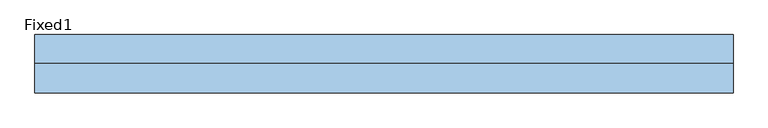
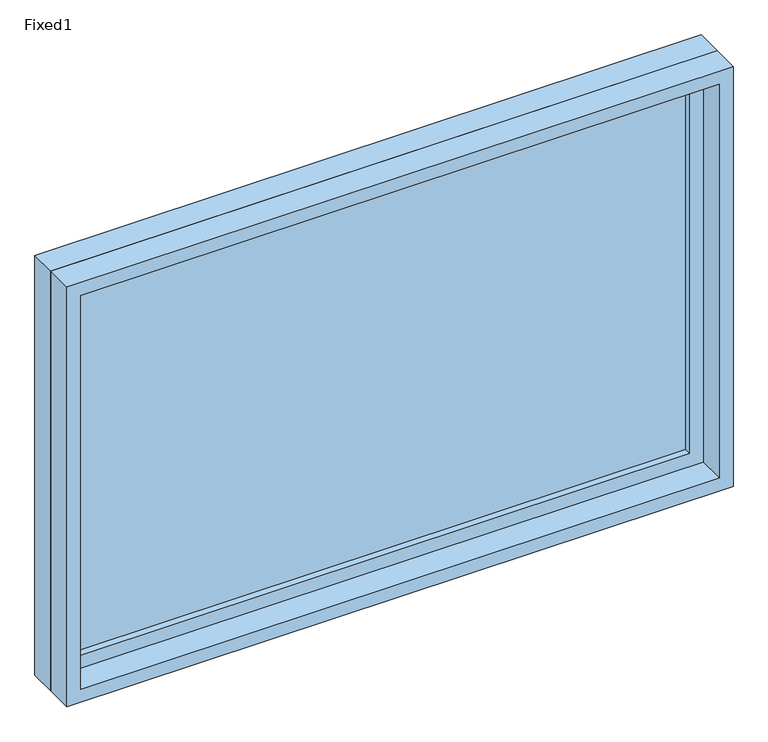
"""IFC4 building model written with IfcOpenShell, lengths in millimetres: window geometry, Fixed1."""

import ifcopenshell
import ifcopenshell.guid

model = None  # the IFC model being written
_history = None  # IfcOwnerHistory: only IFC2X3 demands one
_inside = {}  # id of a spatial element -> (the spatial element, [elements in it])
_under = {}  # id of a project, library or spatial element -> (it, [spatial elements below it])
_declared = {}  # id of a project -> (the project, [libraries it declares])
_typed = {}  # id of a type object -> (the type object, [elements of that type])
_made_of = {}  # id of a material, layer set ... -> (it, [elements and type objects made of it])


def new_model(schema):
    """Start an empty IFC model of exactly this schema.

    Asked for "IFC4X3", IfcOpenShell would pick the latest addendum, in which some entities
    have other attributes; the version numbers below select the first issue.
    IFC2X3 requires an IfcOwnerHistory on every rooted entity: one is made here for all.
    """
    global model, _history
    if schema == "IFC4X3":
        model = ifcopenshell.file(schema_version=(4, 3, 0, 0))
    else:
        model = ifcopenshell.file(schema=schema)
    _inside.clear()
    _under.clear()
    _declared.clear()
    _typed.clear()
    _made_of.clear()
    _history = None
    if model.schema == "IFC2X3":
        org = make("IfcOrganization", Name="unknown")
        user = make(
            "IfcPersonAndOrganization",
            ThePerson=make("IfcPerson", FamilyName="unknown"),
            TheOrganization=org,
        )
        app = make(
            "IfcApplication",
            ApplicationDeveloper=org,
            Version="unknown",
            ApplicationFullName="unknown",
            ApplicationIdentifier="unknown",
        )
        _history = make(
            "IfcOwnerHistory",
            OwningUser=user,
            OwningApplication=app,
            ChangeAction="ADDED",
            CreationDate=0,
        )
    return model


def make(cls, **values):
    """One entity of the class cls with the attributes given. An attribute that is None is left unset."""
    return model.create_entity(
        cls, **{name: value for name, value in values.items() if value is not None}
    )


def rooted(cls, **values):
    """An entity with a GlobalId (a new one), such as an element, a storey or a relation."""
    return make(cls, GlobalId=ifcopenshell.guid.new(), OwnerHistory=_history, **values)


def si_unit(unit_type, name, prefix=None):
    """IfcSIUnit, for example si_unit("LENGTHUNIT", "METRE", prefix="MILLI")."""
    return make("IfcSIUnit", UnitType=unit_type, Prefix=prefix, Name=name)


def assignment(units):
    """IfcUnitAssignment: the units of a project."""
    return None if units is None else make("IfcUnitAssignment", Units=units)


def point(xyz):
    """IfcCartesianPoint."""
    return None if xyz is None else make("IfcCartesianPoint", Coordinates=xyz)


def direction(xyz):
    """IfcDirection."""
    return None if xyz is None else make("IfcDirection", DirectionRatios=xyz)


def frame(location, z_axis=None, x_axis=None):
    """IfcAxis2Placement3D, a coordinate frame: its origin and axes. An axis left out is left unset."""
    return make(
        "IfcAxis2Placement3D",
        Location=point(location),
        Axis=direction(z_axis),
        RefDirection=direction(x_axis),
    )


def origin():
    """The frame at (0, 0, 0) with its axes left unset."""
    return frame((0.0, 0.0, 0.0))


def place(relative_to, where):
    """IfcLocalPlacement: puts the frame where relative to a parent placement (None: the world)."""
    return make(
        "IfcLocalPlacement", PlacementRelTo=relative_to, RelativePlacement=where
    )


def context(
    kind, dimensions, precision=None, world=None, true_north=None, identifier=None
):
    """IfcGeometricRepresentationContext, for example the 3D "Model" context."""
    return make(
        "IfcGeometricRepresentationContext",
        ContextIdentifier=identifier,
        ContextType=kind,
        CoordinateSpaceDimension=dimensions,
        Precision=precision,
        WorldCoordinateSystem=world,
        TrueNorth=true_north,
    )


def project(units=None, contexts=None):
    """IfcProject with its units and contexts."""
    return rooted(
        "IfcProject",
        Name="project",
        RepresentationContexts=contexts,
        UnitsInContext=assignment(units),
    )


def spatial(cls, under=None, at=None, **own):
    """A site, building, storey or space (cls), placed at a placement, below another one or the project."""
    s = rooted(cls, ObjectPlacement=at, **own)
    if under is not None:
        _under.setdefault(under.id(), (under, []))[1].append(s)
    return s


def polyline(points):
    """IfcPolyline through the points."""
    return make("IfcPolyline", Points=[point(p) for p in points])


def outline(outer, holes=None, kind="AREA"):
    """IfcArbitraryClosedProfileDef: a profile drawn as a closed curve; with holes, ...WithVoids."""
    if holes is None:
        return make("IfcArbitraryClosedProfileDef", ProfileType=kind, OuterCurve=outer)
    return make(
        "IfcArbitraryProfileDefWithVoids",
        ProfileType=kind,
        OuterCurve=outer,
        InnerCurves=holes,
    )


def extrude(swept, where, along, depth):
    """IfcExtrudedAreaSolid: the profile swept, set in the frame where, extruded along a direction by depth."""
    return make(
        "IfcExtrudedAreaSolid",
        SweptArea=swept,
        Position=where,
        ExtrudedDirection=direction(along),
        Depth=depth,
    )


def shape(context_of_items, identifier, shape_type, items):
    """IfcShapeRepresentation: the items that make up one representation, for example the "Body"."""
    return make(
        "IfcShapeRepresentation",
        ContextOfItems=context_of_items,
        RepresentationIdentifier=identifier,
        RepresentationType=shape_type,
        Items=items,
    )


def source(mapping_origin, context_of_items, identifier, shape_type, items):
    """IfcRepresentationMap: a shape defined once, which mapped items show again and again."""
    return make(
        "IfcRepresentationMap",
        MappingOrigin=mapping_origin,
        MappedRepresentation=shape(context_of_items, identifier, shape_type, items),
    )


def transform(
    local_origin,
    x_axis=None,
    y_axis=None,
    z_axis=None,
    scale=None,
    scale2=None,
    scale3=None,
    uniform=True,
):
    """IfcCartesianTransformationOperator3D, or its non-uniform kind. x_axis, y_axis, z_axis: its Axis1, 2, 3."""
    if uniform:
        return make(
            "IfcCartesianTransformationOperator3D",
            Axis1=direction(x_axis),
            Axis2=direction(y_axis),
            LocalOrigin=point(local_origin),
            Scale=scale,
            Axis3=direction(z_axis),
        )
    return make(
        "IfcCartesianTransformationOperator3DnonUniform",
        Axis1=direction(x_axis),
        Axis2=direction(y_axis),
        LocalOrigin=point(local_origin),
        Scale=scale,
        Axis3=direction(z_axis),
        Scale2=scale2,
        Scale3=scale3,
    )


def mapped(mapping_source, mapping_target):
    """IfcMappedItem: shows the shape of a source again, moved by a transform."""
    return make(
        "IfcMappedItem", MappingSource=mapping_source, MappingTarget=mapping_target
    )


def made_of(thing, what):
    """Note that an element or type object is made of a material, layer set ...; save() writes the relation."""
    if what is not None:
        _made_of.setdefault(what.id(), (what, []))[1].append(thing)
    return thing


def element(
    cls,
    number,
    at=None,
    inside=None,
    cuts=None,
    type_object=None,
    material=None,
    context=None,
    identifier="Body",
    shape_type=None,
    held_by="IfcProductDefinitionShape",
    body=None,
    shapes=None,
    **own,
):
    """One element of the class cls, such as IfcWall. Its Tag is "e" and its number.

    at: its placement. inside: the storey or other place that contains it. cuts: it is an
    opening in that element (IfcRelVoidsElement). A single representation is given by context,
    identifier, shape_type and body (its items); several are given by shapes. held_by: the class
    of the entity that holds the representations. save() writes the other relations.
    """
    e = rooted(cls, Tag="e%d" % number, ObjectPlacement=at, **own)
    if body is not None:
        shapes = [shape(context, identifier, shape_type, body)]
    if shapes is not None:
        e.Representation = make(held_by, Representations=shapes)
    if inside is not None:
        _inside.setdefault(inside.id(), (inside, []))[1].append(e)
    if cuts is not None:
        rooted(
            "IfcRelVoidsElement", RelatingBuildingElement=cuts, RelatedOpeningElement=e
        )
    if type_object is not None:
        _typed.setdefault(type_object.id(), (type_object, []))[1].append(e)
    return made_of(e, material)


def aggregate(whole, parts):
    """IfcRelAggregates: a whole, such as a stair, and the parts it consists of."""
    return rooted("IfcRelAggregates", RelatingObject=whole, RelatedObjects=parts)


def save(model, path):
    """Write the relations noted so far, then the file.

    IfcRelAggregates (storeys below a building ...), IfcRelContainedInSpatialStructure (elements
    in a storey), IfcRelDefinesByType, IfcRelAssociatesMaterial and IfcRelDeclares: one each for
    every whole, place, type object, material and project.
    """
    for whole, parts in _under.values():
        aggregate(whole, parts)
    for where, things in _inside.values():
        rooted(
            "IfcRelContainedInSpatialStructure",
            RelatedElements=things,
            RelatingStructure=where,
        )
    for kind, things in _typed.values():
        rooted("IfcRelDefinesByType", RelatedObjects=things, RelatingType=kind)
    for what, things in _made_of.values():
        rooted("IfcRelAssociatesMaterial", RelatedObjects=things, RelatingMaterial=what)
    for by, libraries in _declared.values():
        rooted("IfcRelDeclares", RelatingContext=by, RelatedDefinitions=libraries)
    model.write(path)


def fixed1_73efeab3(model_context):
    return source(origin(), model_context, "Body", "SweptSolid", [
        extrude(outline(polyline([(660.4, 15.875), (-736.6, 15.875), (-736.6, 28.575), (660.4, 28.575), (660.4, 15.875)])), frame((0.0, 0.0, 1130.3), z_axis=(0.0, 0.0, 1.0), x_axis=(1.0, 0.0, 0.0)), (0.0, 0.0, 1.0), 889.0),
        extrude(outline(polyline([(2063.75, -781.05), (1085.85, -781.05), (1085.85, 704.85), (2063.75, 704.85), (2063.75, -781.05)]), holes=[polyline([(2019.3, -736.6), (2019.3, 660.4), (1130.3, 660.4), (1130.3, -736.6), (2019.3, -736.6)])]), frame((0.0, 0.0, 0.0), z_axis=(0.0, 1.0, 0.0), x_axis=(0.0, 0.0, 1.0)), (0.0, 0.0, 1.0), 44.45),
        extrude(outline(polyline([(2082.8, -800.1), (1066.8, -800.1), (1066.8, 723.9), (2082.8, 723.9), (2082.8, -800.1)]), holes=[polyline([(2051.05, -768.35), (2051.05, 692.15), (1098.55, 692.15), (1098.55, -768.35), (2051.05, -768.35)])]), frame((0.0, -63.5, 0.0), z_axis=(0.0, 1.0, 0.0), x_axis=(0.0, 0.0, 1.0)), (0.0, 0.0, 1.0), 63.5),
        extrude(outline(polyline([(2082.8, 723.9), (2082.8, -800.1), (1066.8, -800.1), (1066.8, 723.9), (2082.8, 723.9)]), holes=[polyline([(2063.75, 704.85), (1085.85, 704.85), (1085.85, -781.05), (2063.75, -781.05), (2063.75, 704.85)])]), frame((0.0, 0.0, 0.0), z_axis=(0.0, 1.0, 0.0), x_axis=(0.0, 0.0, 1.0)), (0.0, 0.0, 1.0), 63.5),
    ])


if __name__ == "__main__":
    model = new_model("IFC4")
    model_context = context("Model", 3, world=origin())
    ifc_project = project(units=[si_unit("LENGTHUNIT", "METRE", prefix="MILLI")], contexts=[model_context])
    site = spatial("IfcSite", under=ifc_project)
    building = spatial("IfcBuilding", under=site)
    placement = place(None, origin())
    fixed1_shape = fixed1_73efeab3(model_context)
    element("IfcWindow", 1, ObjectType="Fixed1", at=placement, inside=building, context=model_context, shape_type="MappedRepresentation", body=[
        mapped(fixed1_shape, transform((0.0, 0.0, 0.0), x_axis=(1.0, 0.0, 0.0), y_axis=(0.0, 1.0, 0.0), z_axis=(0.0, 0.0, 1.0))),
    ])
    save(model, "model.ifc")
